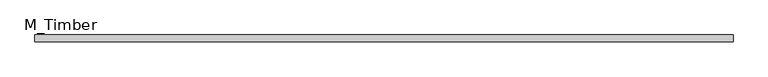
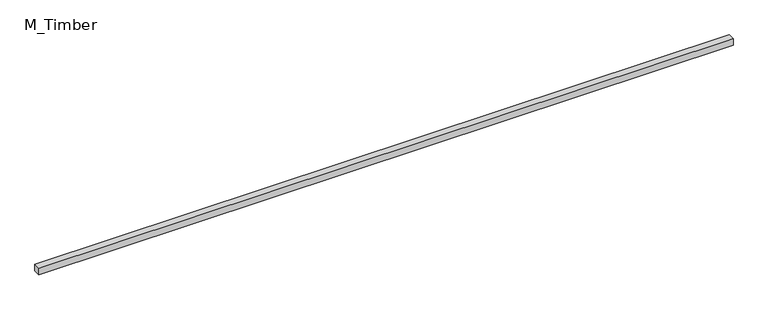
"""IFC4 building model written with IfcOpenShell, lengths in millimetres: beam geometry, M_Timber."""

from ifc_helpers import new_model, si_unit, frame, origin, place, context, project, spatial, polyline, outline, extrude, source, transform, mapped, element, save


def m_timber_d5d99b23(model_context):
    return source(origin(), model_context, "Body", "SweptSolid", [
        extrude(outline(polyline([(2017.4264683, 20.0), (2017.4264683, -20.0), (-2017.4264683, -20.0), (-2017.4264683, 20.0), (2017.4264683, 20.0)])), frame((0.0, 0.0, -20.0), z_axis=(0.0, 0.0, 1.0), x_axis=(1.0, 0.0, 0.0)), (0.0, 0.0, 1.0), 40.0),
    ])


if __name__ == "__main__":
    model = new_model("IFC4")
    model_context = context("Model", 3, world=origin())
    ifc_project = project(units=[si_unit("LENGTHUNIT", "METRE", prefix="MILLI")], contexts=[model_context])
    site = spatial("IfcSite", under=ifc_project)
    building = spatial("IfcBuilding", under=site)
    placement = place(None, origin())
    m_timber_shape = m_timber_d5d99b23(model_context)
    element("IfcBeam", 1, ObjectType="M_Timber", at=placement, inside=building, context=model_context, shape_type="MappedRepresentation", body=[
        mapped(m_timber_shape, transform((0.0, 0.0, 0.0), x_axis=(1.0, 0.0, 0.0), y_axis=(0.0, 1.0, 0.0), z_axis=(0.0, 0.0, 1.0))),
    ])
    save(model, "model.ifc")
